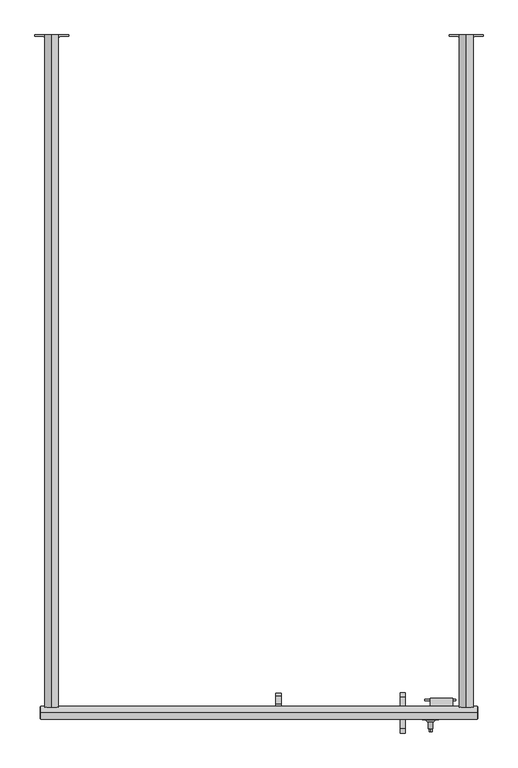
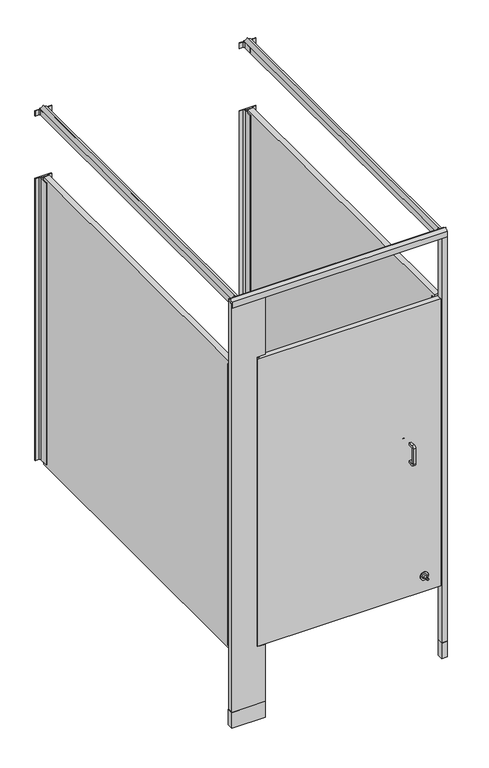
"""IFC4 building model written with IfcOpenShell, lengths in millimetres: proxy geometry."""

from ifc_helpers import new_model, si_unit, point, frame, frame_2d, origin, origin_with_axes, place, context, project, spatial, polyline, circle_curve, ellipse_curve, trimmed, segment, composite_curve, outline, extrude, source, transform, mapped, element, save
from ifc_brep_helpers import plane_surface, cylinder_surface, revolved_surface, advanced_brep


def specialty_equipment_706da687(model_context):
    return source(origin(), model_context, "Body", "SolidModel", [
        extrude(outline(composite_curve([segment(trimmed(circle_curve(frame_2d((167.3354547, -1533.525)), 4.1602747), [point((171.4957294, -1533.525))], [point((163.17518, -1533.525))], False, "CARTESIAN"), True, "CONTINUOUS"), segment(trimmed(circle_curve(frame_2d((167.3354547, -1533.525)), 4.1602747), [point((163.17518, -1533.525))], [point((171.4957294, -1533.525))], False, "CARTESIAN"), True, "CONTINUOUS")], self_intersect=False)), frame((0.0, 0.0, 1752.6), z_axis=(0.0, 0.0, 1.0), x_axis=(1.0, 0.0, 0.0)), (0.0, 0.0, 1.0), 12.7),
        extrude(outline(polyline([(978.9932592, -1506.2050203), (908.9733709, -1506.2050203), (908.9733709, -1503.2324847), (978.9932592, -1503.2324847), (978.9932592, -1506.2050203)])), frame((0.0, 0.0, 1041.4), z_axis=(0.0, 0.0, 1.0), x_axis=(1.0, 0.0, 0.0)), (0.0, 0.0, 1.0), 25.4),
        extrude(outline(composite_curve([segment(trimmed(circle_curve(frame_2d((-1497.9641724, 1092.2)), 10.16), [point((-1497.9641724, 1102.36))], [point((-1487.8041724, 1092.2))], False, "CARTESIAN"), True, "CONTINUOUS"), segment(polyline([(-1487.8041724, 1092.2), (-1487.8041724, 1016.0)]), True, "CONTINUOUS"), segment(trimmed(circle_curve(frame_2d((-1497.9641724, 1016.0)), 10.16), [point((-1487.8041724, 1016.0))], [point((-1497.9641724, 1005.84))], False, "CARTESIAN"), True, "CONTINUOUS"), segment(polyline([(-1497.9641724, 1005.84), (-1520.8241724, 1005.84), (-1520.8241724, 1016.0), (-1497.9641724, 1016.0)]), True, "CONTINUOUS"), segment(trimmed(circle_curve(frame_2d((-1497.9641724, 1018.54)), 2.54), [point((-1497.9641724, 1016.0))], [point((-1495.4241724, 1018.54))], True, "CARTESIAN"), True, "CONTINUOUS"), segment(polyline([(-1495.4241724, 1018.54), (-1495.4241724, 1089.66)]), True, "CONTINUOUS"), segment(trimmed(circle_curve(frame_2d((-1497.9641724, 1089.66)), 2.54), [point((-1495.4241724, 1089.66))], [point((-1497.9641724, 1092.2))], True, "CARTESIAN"), True, "CONTINUOUS"), segment(polyline([(-1497.9641724, 1092.2), (-1520.8241724, 1092.2), (-1520.8241724, 1102.36), (-1497.9641724, 1102.36)]), True, "CONTINUOUS")], self_intersect=False)), frame((853.1120131, 0.0, 0.0), z_axis=(1.0, 0.0, 0.0), x_axis=(0.0, 1.0, 0.0)), (0.0, 0.0, 1.0), 11.4113578),
        extrude(outline(composite_curve([segment(polyline([(-1569.085, 1102.36), (-1546.225, 1102.36), (-1546.225, 1092.2), (-1569.085, 1092.2)]), True, "CONTINUOUS"), segment(trimmed(circle_curve(frame_2d((-1569.085, 1089.66)), 2.54), [point((-1569.085, 1092.2))], [point((-1571.625, 1089.66))], True, "CARTESIAN"), True, "CONTINUOUS"), segment(polyline([(-1571.625, 1089.66), (-1571.625, 1018.54)]), True, "CONTINUOUS"), segment(trimmed(circle_curve(frame_2d((-1569.085, 1018.54)), 2.54), [point((-1571.625, 1018.54))], [point((-1569.085, 1016.0))], True, "CARTESIAN"), True, "CONTINUOUS"), segment(polyline([(-1569.085, 1016.0), (-1546.225, 1016.0), (-1546.225, 1005.84), (-1569.085, 1005.84)]), True, "CONTINUOUS"), segment(trimmed(circle_curve(frame_2d((-1569.085, 1016.0)), 10.16), [point((-1569.085, 1005.84))], [point((-1579.245, 1016.0))], False, "CARTESIAN"), True, "CONTINUOUS"), segment(polyline([(-1579.245, 1016.0), (-1579.245, 1092.2)]), True, "CONTINUOUS"), segment(trimmed(circle_curve(frame_2d((-1569.085, 1092.2)), 10.16), [point((-1579.245, 1092.2))], [point((-1569.085, 1102.36))], False, "CARTESIAN"), True, "CONTINUOUS")], self_intersect=False)), frame((853.1120131, 0.0, 0.0), z_axis=(1.0, 0.0, 0.0), x_axis=(0.0, 1.0, 0.0)), (0.0, 0.0, 1.0), 11.4113578),
        extrude(outline(polyline([(-1520.8241724, 1525.7003365), (-1520.8241724, 1576.5003365), (-1514.4741724, 1576.5003365), (-1514.4741724, 1532.0503365), (-1495.4241724, 1532.0503365), (-1495.4241724, 1538.4003365), (-1489.0741724, 1538.4003365), (-1489.0741724, 1525.7003365), (-1520.8241724, 1525.7003365)])), frame((571.5002547, 0.0, 0.0), z_axis=(1.0, 0.0, 0.0), x_axis=(0.0, 1.0, 0.0)), (0.0, 0.0, 1.0), 12.7),
        extrude(outline(composite_curve([segment(trimmed(circle_curve(frame_2d((431.8, 922.3250547)), 3.4532283), [point((428.3467717, 922.3250547))], [point((435.2532283, 922.3250547))], False, "CARTESIAN"), True, "CONTINUOUS"), segment(trimmed(circle_curve(frame_2d((431.8, 922.3250547)), 3.4532283), [point((435.2532283, 922.3250547))], [point((428.3467717, 922.3250547))], False, "CARTESIAN"), True, "CONTINUOUS")], self_intersect=False)), frame((0.0, -1576.705, 0.0), z_axis=(0.0, 1.0, 0.0), x_axis=(0.0, 0.0, 1.0)), (0.0, 0.0, 1.0), 7.62),
        advanced_brep(
        [(922.3250547, -1546.225, 431.8), (903.2750547, -1546.225, 431.8), (941.3750547, -1546.225, 431.8), (927.4050547, -1569.085, 431.8), (917.2450547, -1569.085, 431.8), (922.3250547, -1569.085, 431.8), (927.4050547, -1553.845, 431.8), (917.2450547, -1553.845, 431.8), (932.4850547, -1548.765, 431.8), (912.1650547, -1548.765, 431.8), (941.3750547, -1548.765, 431.8), (903.2750547, -1548.765, 431.8)],
        [
            (0, 1),
            (1, 2, circle_curve(frame((922.3250547, -1546.225, 431.8), z_axis=(0.0, 1.0, 0.0), x_axis=(-1.0, 0.0, 0.0)), 19.05)),
            (2, 0),
            (2, 1, circle_curve(frame((922.3250547, -1546.225, 431.8), z_axis=(0.0, 1.0, 0.0), x_axis=(-1.0, 0.0, 0.0)), 19.05)),
            (3, 4, circle_curve(frame((922.3250547, -1569.085, 431.8), z_axis=(0.0, -1.0, 0.0), x_axis=(-1.0, 0.0, 0.0)), 5.08)),
            (4, 5),
            (5, 3),
            (4, 3, circle_curve(frame((922.3250547, -1569.085, 431.8), z_axis=(0.0, -1.0, 0.0), x_axis=(-1.0, 0.0, 0.0)), 5.08)),
            (6, 7, circle_curve(frame((922.3250547, -1553.845, 431.8), z_axis=(0.0, -1.0, 0.0), x_axis=(-1.0, 0.0, 0.0)), 5.08)),
            (7, 4),
            (3, 6),
            (7, 6, circle_curve(frame((922.3250547, -1553.845, 431.8), z_axis=(0.0, -1.0, 0.0), x_axis=(-1.0, 0.0, 0.0)), 5.08)),
            (8, 9, circle_curve(frame((922.3250547, -1548.765, 431.8), z_axis=(0.0, -1.0, 0.0), x_axis=(-1.0, 0.0, 0.0)), 10.16)),
            (9, 7, circle_curve(frame((917.2450547, -1548.765, 431.8), z_axis=(0.0, 0.0, 1.0), x_axis=(0.0, -1.0, 0.0)), 5.08)),
            (6, 8, circle_curve(frame((927.4050547, -1548.765, 431.8), z_axis=(0.0, 0.0, 1.0), x_axis=(0.0, -1.0, 0.0)), 5.08)),
            (9, 8, circle_curve(frame((922.3250547, -1548.765, 431.8), z_axis=(0.0, -1.0, 0.0), x_axis=(-1.0, 0.0, 0.0)), 10.16)),
            (10, 11, circle_curve(frame((922.3250547, -1548.765, 431.8), z_axis=(0.0, -1.0, 0.0), x_axis=(-1.0, 0.0, 0.0)), 19.05)),
            (11, 9),
            (8, 10),
            (11, 10, circle_curve(frame((922.3250547, -1548.765, 431.8), z_axis=(0.0, -1.0, 0.0), x_axis=(-1.0, 0.0, 0.0)), 19.05)),
            (1, 11),
            (10, 2),
        ],
        [
            plane_surface(frame((922.3250547, -1546.225, 431.8), z_axis=(0.0, 1.0, 0.0), x_axis=(-1.0, 0.0, 0.0))),
            plane_surface(frame((922.3250547, -1569.085, 431.8), z_axis=(0.0, -1.0, 0.0), x_axis=(-1.0, 0.0, 0.0))),
            cylinder_surface(frame((922.3250547, -1590.2047247, 431.8), z_axis=(0.0, 1.0, 0.0), x_axis=(-1.0, 0.0, 0.0)), 5.08),
            revolved_surface(trimmed(ellipse_curve(frame((917.2450547, -1548.765, 431.8), z_axis=(0.0, 0.0, -1.0), x_axis=(0.0, -1.0, 0.0)), 5.08, 5.08), [point((917.2450547, -1553.845, 431.8))], [point((912.1650547, -1548.765, 431.8))], True, "CARTESIAN"), (922.3250547, -1590.2047247, 431.8), (0.0, 1.0, 0.0)),
            plane_surface(frame((922.3250547, -1548.765, 431.8), z_axis=(0.0, -1.0, 0.0), x_axis=(-1.0, 0.0, 0.0))),
            cylinder_surface(frame((922.3250547, -1590.2047247, 431.8), z_axis=(0.0, 1.0, 0.0), x_axis=(-1.0, 0.0, 0.0)), 19.05),
        ],
        [
            (0, [[1, 2, 3]]),
            (0, [[-3, 4, -1]]),
            (1, [[5, 6, 7]]),
            (1, [[8, -7, -6]]),
            (2, [[9, 10, -5, 11]]),
            (2, [[12, -11, -8, -10]]),
            (3, [[13, 14, -9, 15]]),
            (3, [[16, -15, -12, -14]]),
            (4, [[17, 18, -13, 19]]),
            (4, [[20, -19, -16, -18]]),
            (5, [[-2, 21, -17, 22]]),
            (5, [[-4, -22, -20, -21]]),
        ],
    ),
        extrude(outline(polyline([(973.1250547, -1520.8241724), (921.6733709, -1520.8241724), (921.6733709, -1500.7465532), (973.1250547, -1500.7465532), (973.1250547, -1520.8241724)])), frame((0.0, 0.0, 1003.3), z_axis=(0.0, 0.0, 1.0), x_axis=(1.0, 0.0, 0.0)), (0.0, 0.0, 1.0), 101.6),
        extrude(outline(composite_curve([segment(polyline([(2044.7, 78.8672547), (2073.275, 78.8672547)]), True, "CONTINUOUS"), segment(trimmed(circle_curve(frame_2d((2087.2314185, 76.8824645)), 14.0968439), [point((2073.275, 78.8672547))], [point((2082.8, 63.5002547))], True, "CARTESIAN"), True, "CONTINUOUS"), segment(trimmed(circle_curve(frame_2d((2087.2314185, 50.1180449)), 14.0968439), [point((2082.8, 63.5002547))], [point((2073.275, 48.1332547))], True, "CARTESIAN"), True, "CONTINUOUS"), segment(polyline([(2073.275, 48.1332547), (2044.7, 48.1332547), (2044.7, 78.8672547)]), True, "CONTINUOUS")], self_intersect=False)), frame((0.0, -1520.825, 0.0), z_axis=(0.0, 1.0, 0.0), x_axis=(0.0, 0.0, 1.0)), (0.0, 0.0, 1.0), 1524.0),
        extrude(outline(composite_curve([segment(polyline([(2044.7, 1018.6672547), (2073.275, 1018.6672547)]), True, "CONTINUOUS"), segment(trimmed(circle_curve(frame_2d((2087.2314185, 1016.6824645)), 14.0968439), [point((2073.275, 1018.6672547))], [point((2082.8, 1003.3002547))], True, "CARTESIAN"), True, "CONTINUOUS"), segment(trimmed(circle_curve(frame_2d((2087.2314185, 989.9180449)), 14.0968439), [point((2082.8, 1003.3002547))], [point((2073.275, 987.9332547))], True, "CARTESIAN"), True, "CONTINUOUS"), segment(polyline([(2073.275, 987.9332547), (2044.7, 987.9332547), (2044.7, 1018.6672547)]), True, "CONTINUOUS")], self_intersect=False)), frame((0.0, -1520.825, 0.0), z_axis=(0.0, 1.0, 0.0), x_axis=(0.0, 0.0, 1.0)), (0.0, 0.0, 1.0), 1524.0),
        extrude(outline(composite_curve([segment(polyline([(101.6002547, 3.175), (101.6002547, 0.635), (85.0902547, 0.635)]), True, "CONTINUOUS"), segment(trimmed(circle_curve(frame_2d((85.0902547, -5.715)), 6.35), [point((85.0902547, 0.635))], [point((78.7402547, -5.715))], True, "CARTESIAN"), True, "CONTINUOUS"), segment(polyline([(78.7402547, -5.715), (78.7402547, -47.625), (76.2002547, -47.625), (76.2002547, -3.7728188), (50.8002547, -3.7728188), (50.8002547, -47.625), (48.2602547, -47.625), (48.2602547, -5.715)]), True, "CONTINUOUS"), segment(trimmed(circle_curve(frame_2d((41.9102547, -5.715)), 6.35), [point((48.2602547, -5.715))], [point((41.9102547, 0.635))], True, "CARTESIAN"), True, "CONTINUOUS"), segment(polyline([(41.9102547, 0.635), (25.4002547, 0.635), (25.4002547, 3.175), (101.6002547, 3.175)]), True, "CONTINUOUS")], self_intersect=False)), frame((0.0, 0.0, 2044.7), z_axis=(0.0, 0.0, 1.0), x_axis=(1.0, 0.0, 0.0)), (0.0, 0.0, 1.0), 25.4),
        extrude(outline(composite_curve([segment(polyline([(1041.4002547, 3.175), (1041.4002547, 0.635), (1024.8902547, 0.635)]), True, "CONTINUOUS"), segment(trimmed(circle_curve(frame_2d((1024.8902547, -5.715)), 6.35), [point((1024.8902547, 0.635))], [point((1018.5402547, -5.715))], True, "CARTESIAN"), True, "CONTINUOUS"), segment(polyline([(1018.5402547, -5.715), (1018.5402547, -47.625), (1016.0002547, -47.625), (1016.0002547, -3.7728188), (990.6002547, -3.7728188), (990.6002547, -47.625), (988.0602547, -47.625), (988.0602547, -5.715)]), True, "CONTINUOUS"), segment(trimmed(circle_curve(frame_2d((981.7102547, -5.715)), 6.35), [point((988.0602547, -5.715))], [point((981.7102547, 0.635))], True, "CARTESIAN"), True, "CONTINUOUS"), segment(polyline([(981.7102547, 0.635), (965.2002547, 0.635), (965.2002547, 3.175), (1041.4002547, 3.175)]), True, "CONTINUOUS")], self_intersect=False)), frame((0.0, 0.0, 2044.7), z_axis=(0.0, 0.0, 1.0), x_axis=(1.0, 0.0, 0.0)), (0.0, 0.0, 1.0), 25.4),
        extrude(outline(polyline([(988.0602547, -1520.825), (988.0602547, -1495.425), (990.6002547, -1495.425), (990.6002547, -1513.8771812), (1016.0002547, -1513.8771812), (1016.0002547, -1495.425), (1018.5402547, -1495.425), (1018.5402547, -1520.825), (988.0602547, -1520.825)])), frame((0.0, 0.0, 368.3), z_axis=(0.0, 0.0, 1.0), x_axis=(1.0, 0.0, 0.0)), (0.0, 0.0, 1.0), 1371.6),
        extrude(outline(polyline([(48.2602547, -1520.825), (48.2602547, -1495.425), (50.8002547, -1495.425), (50.8002547, -1513.8771812), (76.2002547, -1513.8771812), (76.2002547, -1495.425), (78.7402547, -1495.425), (78.7402547, -1520.825), (48.2602547, -1520.825)])), frame((0.0, 0.0, 368.3), z_axis=(0.0, 0.0, 1.0), x_axis=(1.0, 0.0, 0.0)), (0.0, 0.0, 1.0), 1371.6),
        extrude(outline(composite_curve([segment(polyline([(1041.4002547, 3.175), (1041.4002547, 0.635), (1024.8902547, 0.635)]), True, "CONTINUOUS"), segment(trimmed(circle_curve(frame_2d((1024.8902547, -5.715)), 6.35), [point((1024.8902547, 0.635))], [point((1018.5402547, -5.715))], True, "CARTESIAN"), True, "CONTINUOUS"), segment(polyline([(1018.5402547, -5.715), (1018.5402547, -47.625), (1016.0002547, -47.625), (1016.0002547, -3.7728188), (990.6002547, -3.7728188), (990.6002547, -47.625), (988.0602547, -47.625), (988.0602547, -5.715)]), True, "CONTINUOUS"), segment(trimmed(circle_curve(frame_2d((981.7102547, -5.715)), 6.35), [point((988.0602547, -5.715))], [point((981.7102547, 0.635))], True, "CARTESIAN"), True, "CONTINUOUS"), segment(polyline([(981.7102547, 0.635), (965.2002547, 0.635), (965.2002547, 3.175), (1041.4002547, 3.175)]), True, "CONTINUOUS")], self_intersect=False)), frame((0.0, 0.0, 368.3), z_axis=(0.0, 0.0, 1.0), x_axis=(1.0, 0.0, 0.0)), (0.0, 0.0, 1.0), 1371.6),
        extrude(outline(composite_curve([segment(polyline([(101.6002547, 3.175), (101.6002547, 0.635), (85.0902547, 0.635)]), True, "CONTINUOUS"), segment(trimmed(circle_curve(frame_2d((85.0902547, -5.715)), 6.35), [point((85.0902547, 0.635))], [point((78.7402547, -5.715))], True, "CARTESIAN"), True, "CONTINUOUS"), segment(polyline([(78.7402547, -5.715), (78.7402547, -47.625), (76.2002547, -47.625), (76.2002547, -3.7728188), (50.8002547, -3.7728188), (50.8002547, -47.625), (48.2602547, -47.625), (48.2602547, -5.715)]), True, "CONTINUOUS"), segment(trimmed(circle_curve(frame_2d((41.9102547, -5.715)), 6.35), [point((48.2602547, -5.715))], [point((41.9102547, 0.635))], True, "CARTESIAN"), True, "CONTINUOUS"), segment(polyline([(41.9102547, 0.635), (25.4002547, 0.635), (25.4002547, 3.175), (101.6002547, 3.175)]), True, "CONTINUOUS")], self_intersect=False)), frame((0.0, 0.0, 368.3), z_axis=(0.0, 0.0, 1.0), x_axis=(1.0, 0.0, 0.0)), (0.0, 0.0, 1.0), 1371.6),
        extrude(outline(polyline([(37.1858547, -1519.9106), (191.4146547, -1519.9106), (191.4146547, -1547.1394), (37.1858547, -1547.1394), (37.1858547, -1519.9106)])), origin_with_axes(), (0.0, 0.0, 1.0), 76.2),
        extrude(outline(polyline([(1002.3858547, -1519.9106), (1029.6146547, -1519.9106), (1029.6146547, -1547.1394), (1002.3858547, -1547.1394), (1002.3858547, -1519.9106)])), origin_with_axes(), (0.0, 0.0, 1.0), 76.2),
        extrude(outline(polyline([(998.5250547, -1546.225), (157.1754547, -1546.225), (157.1754547, -1520.825), (998.5250547, -1520.825), (998.5250547, -1546.225)])), frame((0.0, 0.0, 355.6), z_axis=(0.0, 0.0, 1.0), x_axis=(1.0, 0.0, 0.0)), (0.0, 0.0, 1.0), 1397.0),
        extrude(outline(polyline([(1003.3002547, -1520.825), (1028.7002547, -1520.825), (1028.7002547, -1546.225), (1003.3002547, -1546.225), (1003.3002547, -1520.825)])), origin_with_axes(), (0.0, 0.0, 1.0), 2063.75),
        extrude(outline(polyline([(2063.75, 190.5002547), (2063.75, 38.1002547), (0.0, 38.1002547), (0.0, 190.5002547), (355.6, 190.5002547), (355.6, 152.4002547), (1765.3, 152.4002547), (1765.3, 190.5002547), (2063.75, 190.5002547)])), frame((0.0, -1546.225, 0.0), z_axis=(0.0, 1.0, 0.0), x_axis=(0.0, 0.0, 1.0)), (0.0, 0.0, 1.0), 25.4),
        extrude(outline(polyline([(990.6002547, -1508.125), (990.6002547, -22.225), (1016.0002547, -22.225), (1016.0002547, -1508.125), (990.6002547, -1508.125)])), frame((0.0, 0.0, 355.6), z_axis=(0.0, 0.0, 1.0), x_axis=(1.0, 0.0, 0.0)), (0.0, 0.0, 1.0), 1397.0),
        extrude(outline(polyline([(50.8002547, -1508.125), (50.8002547, -22.225), (76.2002547, -22.225), (76.2002547, -1508.125), (50.8002547, -1508.125)])), frame((0.0, 0.0, 355.6), z_axis=(0.0, 0.0, 1.0), x_axis=(1.0, 0.0, 0.0)), (0.0, 0.0, 1.0), 1397.0),
        extrude(outline(composite_curve([segment(polyline([(-1548.511, 2044.7), (-1548.511, 2073.275)]), True, "CONTINUOUS"), segment(trimmed(circle_curve(frame_2d((-1550.0589964, 2092.262001)), 19.05), [point((-1548.511, 2073.275))], [point((-1533.525, 2082.8))], True, "CARTESIAN"), True, "CONTINUOUS"), segment(trimmed(circle_curve(frame_2d((-1516.9910036, 2092.262001)), 19.05), [point((-1533.525, 2082.8))], [point((-1518.539, 2073.275))], True, "CARTESIAN"), True, "CONTINUOUS"), segment(polyline([(-1518.539, 2073.275), (-1518.539, 2044.7), (-1548.511, 2044.7)]), True, "CONTINUOUS")], self_intersect=False)), frame((38.1002547, 0.0, 0.0), z_axis=(1.0, 0.0, 0.0), x_axis=(0.0, 1.0, 0.0)), (0.0, 0.0, 1.0), 990.6),
    ])


if __name__ == "__main__":
    model = new_model("IFC4")
    model_context = context("Model", 3, world=origin())
    ifc_project = project(units=[si_unit("LENGTHUNIT", "METRE", prefix="MILLI")], contexts=[model_context])
    site = spatial("IfcSite", under=ifc_project)
    building = spatial("IfcBuilding", under=site)
    placement = place(None, origin())
    specialty_equipment_shape = specialty_equipment_706da687(model_context)
    element("IfcBuildingElementProxy", 1, Name="Specialty Equipment", at=placement, inside=building, context=model_context, shape_type="MappedRepresentation", body=[
        mapped(specialty_equipment_shape, transform((0.0, 0.0, 0.0), x_axis=(1.0, 0.0, 0.0), y_axis=(0.0, 1.0, 0.0), z_axis=(0.0, 0.0, 1.0))),
    ])
    save(model, "model.ifc")
